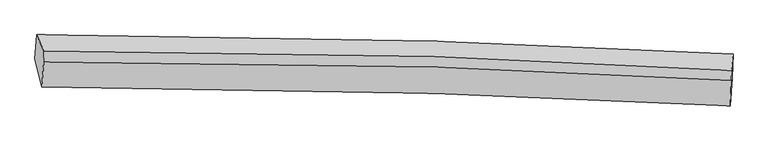
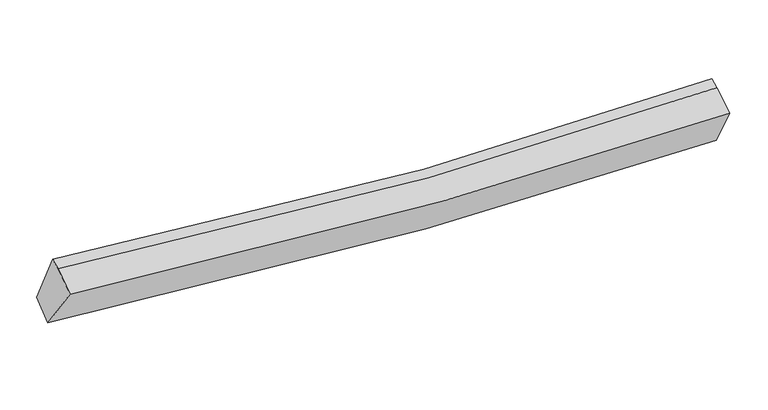
"""IFC4 building model written with IfcOpenShell, lengths in millimetres: proxy geometry."""

from ifc_helpers import new_model, si_unit, frame, origin, place, context, project, spatial, source, transform, mapped, element, save
from ifc_brep_helpers import plane_surface, spline_curve, spline_surface, advanced_brep


def generic_models_86eec836(model_context):
    return source(origin(), model_context, "Body", "AdvancedBrep", [
        advanced_brep(
        [(-4680.0136289, -1932.6632756, 2864.8116564), (-4655.6127897, -1599.2022419, 3054.814372), (5050.4512176, -1868.1822758, 2670.1461136), (5038.9542118, -2201.8665114, 2479.3180664), (-4582.2097961, -2328.2245158, 3520.2426123), (5011.8573684, -2595.2673024, 3142.7376931), (-4559.2943683, -1982.3118109, 3700.6857368), (5024.4009604, -2239.6695619, 3326.9707328), (-4553.4895228, -1830.3221321, 3750.3389472), (5029.8430032, -2097.179238, 3373.5206175)],
        [
            (0, 1),
            (1, 2, spline_curve(3, [(-4655.6127897, -1599.2022419, 3054.814372), (-2816.778623619, -1599.706583015, 2820.569449821), (-977.20892235, -1628.92760239, 2678.074802504), (2258.458421842, -1730.795003895, 2588.854871302), (3654.24338885, -1791.233996543, 2603.126765314), (5050.4512176, -1868.1822758, 2670.1461136)], [4, 2, 4], [0.0, 18.164875754706774, 31.937905771923777])),
            (2, 3),
            (3, 0, spline_curve(3, [(5038.9542118, -2201.8665114, 2479.3180664), (3641.663004314, -2128.49792666, 2423.38290605), (2244.461944255, -2070.081071019, 2415.466373158), (-995.260660163, -1969.290967014, 2508.458030505), (-2837.715546956, -1937.973410702, 2644.872427022), (-4680.0136289, -1932.6632756, 2864.8116564)], [4, 2, 4], [0.0, 13.773030017217003, 31.937905771923777])),
            (4, 0),
            (3, 5),
            (5, 4, spline_curve(3, [(5011.8573684, -2595.2673024, 3142.7376931), (3629.138285754, -2522.600117611, 3087.245940384), (2247.967859342, -2464.71611464, 3079.086376101), (-951.199644967, -2364.770788034, 3169.922713819), (-2768.051607386, -2333.640529119, 3303.917250799), (-4582.2097961, -2328.2245158, 3520.2426123)], [4, 2, 4], [0.0, 13.692734377682662, 31.75171039108612])),
            (6, 4),
            (5, 7),
            (7, 6, spline_curve(3, [(5024.4009604, -2239.6695619, 3326.9707328), (3641.813031866, -2155.98385975, 3241.24783686), (2261.360155453, -2092.433388941, 3215.65918984), (-934.783666184, -1991.758965105, 3295.766050018), (-2748.895899479, -1969.523519461, 3445.926365089), (-4559.2943683, -1982.3118109, 3700.6857368)], [4, 2, 4], [0.0, 13.600977082686356, 31.53893688824649])),
            (8, 6),
            (7, 9),
            (9, 8, spline_curve(3, [(5029.8430032, -2097.179238, 3373.5206175), (3647.215531895, -2014.528899858, 3287.45948054), (2266.762655279, -1950.978428838, 3261.870833392), (-929.289471461, -1847.903127973, 3342.762032026), (-2743.280770601, -1822.501230385, 3493.956788671), (-4553.4895228, -1830.3221321, 3750.3389472)], [4, 2, 4], [0.0, 13.598248530018946, 31.53260972146645])),
            (1, 8),
            (9, 2),
        ],
        [
            spline_surface(3, 3, [[(-4680.0136289, -1932.6632756, 2864.8116564), (-2837.715546961, -1937.973410835, 2644.872427254), (-995.260660075, -1969.290966985, 2508.45803076), (2244.461944188, -2070.081071041, 2415.466372965), (3641.663004264, -2128.497926824, 2423.382906151), (5038.9542118, -2201.8665114, 2479.3180664)], [(-4671.880015866, -1821.509597724, 2928.145894939), (-2830.736572643, -1825.217801614, 2703.4381014), (-989.243414079, -1855.836512035, 2564.99695472), (2249.127436672, -1956.985715397, 2473.262539065), (3645.856465814, -2016.07661669, 2483.29752595), (5042.786547066, -2090.638432868, 2542.927415478)], [(-4663.746402734, -1710.355919776, 2991.480133461), (-2823.757598227, -1712.46219232, 2762.003775528), (-983.226168082, -1742.382057073, 2621.535878642), (2253.792929158, -1843.890359741, 2531.058705128), (3650.049927366, -1903.655306552, 2543.212145717), (5046.618882334, -1979.410354332, 2606.536764522)], [(-4655.6127897, -1599.2022419, 3054.814372), (-2816.778623909, -1599.706583099, 2820.569449674), (-977.208922086, -1628.927602123, 2678.074802601), (2258.458421642, -1730.795004097, 2588.854871228), (3654.243388917, -1791.233996418, 2603.126765517), (5050.4512176, -1868.1822758, 2670.1461136)]], [4, 4], [4, 2, 4], [0.0, 1.2498904706162932], [0.0, 18.164875754706774, 31.937905771923777]),
            spline_surface(3, 3, [[(-4582.2097961, -2328.2245158, 3520.2426123), (-2768.051607276, -2333.640529249, 3303.917250798), (-951.199645176, -2364.770788281, 3169.922713698), (2247.967859501, -2464.716114453, 3079.086376193), (3629.138285592, -2522.600117646, 3087.245940222), (5011.8573684, -2595.2673024, 3142.7376931)], [(-4614.811073686, -2196.370769049, 3301.765627022), (-2791.27292049, -2201.75148976, 3084.235642972), (-965.886650121, -2232.944181173, 2949.434486038), (2246.799221084, -2333.171099972, 2857.879708436), (3633.313191811, -2391.2327207, 2865.958262205), (5020.889649529, -2464.133705395, 2921.59781754)], [(-4647.412351314, -2064.517022351, 3083.288641678), (-2814.494233747, -2069.862450324, 2864.55403508), (-980.57365513, -2101.117574094, 2728.94625842), (2245.630582605, -2201.626085521, 2636.673040722), (3637.488098044, -2259.865323769, 2644.670584167), (5029.921930671, -2333.000108405, 2700.45794196)], [(-4680.0136289, -1932.6632756, 2864.8116564), (-2837.715546961, -1937.973410835, 2644.872427254), (-995.260660075, -1969.290966985, 2508.45803076), (2244.461944188, -2070.081071041, 2415.466372965), (3641.663004264, -2128.497926824, 2423.382906151), (5038.9542118, -2201.8665114, 2479.3180664)]], [4, 4], [4, 2, 4], [0.0, 2.5318243082506626], [0.0, 18.05897601340346, 31.75171039108612]),
            spline_surface(3, 3, [[(-4559.2943683, -1982.3118109, 3700.6857368), (-2748.895899468, -1969.523519393, 3445.926365031), (-934.783666327, -1991.758965281, 3295.766050134), (2261.360155561, -2092.433388807, 3215.659189752), (3641.813031938, -2155.983859943, 3241.247836671), (5024.4009604, -2239.6695619, 3326.9707328)], [(-4566.932844215, -2097.616045861, 3640.538028612), (-2755.281135385, -2090.895856006, 3398.589993598), (-940.255659288, -2116.096239636, 3253.818271319), (2256.896056863, -2216.527630711, 3170.134918563), (3637.588116471, -2278.189279171, 3189.91387118), (5020.219763048, -2358.20214206, 3265.559719559)], [(-4574.571320185, -2212.920280839, 3580.390320488), (-2761.666371359, -2212.268192637, 3351.25362223), (-945.727652216, -2240.433513926, 3211.870492513), (2252.431958199, -2340.621872549, 3124.610647383), (3633.363201059, -2400.394698418, 3138.579905713), (5016.038565752, -2476.73472224, 3204.148706341)], [(-4582.2097961, -2328.2245158, 3520.2426123), (-2768.051607276, -2333.640529249, 3303.917250798), (-951.199645176, -2364.770788281, 3169.922713698), (2247.967859501, -2464.716114453, 3079.086376193), (3629.138285592, -2522.600117646, 3087.245940222), (5011.8573684, -2595.2673024, 3142.7376931)]], [4, 4], [4, 2, 4], [0.0, 1.2956514668191712], [0.0, 17.937959805560133, 31.53893688824649]),
            spline_surface(3, 3, [[(-4553.4895228, -1830.3221321, 3750.3389472), (-2743.280770351, -1822.501230627, 3493.956788512), (-929.289471444, -1847.903128131, 3342.762031782), (2266.762655266, -1950.978428718, 3261.870833577), (3647.215531743, -2014.528899854, 3287.459480396), (5029.8430032, -2097.179238, 3373.5206175)], [(-4555.424471332, -1880.985358368, 3733.787877063), (-2745.152480089, -1871.508660217, 3477.946647347), (-931.120869754, -1895.855073841, 3327.096704579), (2264.961822015, -1998.130082075, 3246.466952315), (3645.414698492, -2061.680553211, 3272.055599134), (5028.028988951, -2144.676012627, 3358.003989246)], [(-4557.359419768, -1931.648584632, 3717.236806937), (-2747.02418973, -1920.516089803, 3461.936506195), (-932.952268017, -1943.807019571, 3311.431377337), (2263.160988812, -2045.281735451, 3231.063071014), (3643.613865188, -2108.832206587, 3256.651717933), (5026.214974649, -2192.172787273, 3342.487361054)], [(-4559.2943683, -1982.3118109, 3700.6857368), (-2748.895899468, -1969.523519393, 3445.926365031), (-934.783666327, -1991.758965281, 3295.766050134), (2261.360155561, -2092.433388807, 3215.659189752), (3641.813031938, -2155.983859943, 3241.247836671), (5024.4009604, -2239.6695619, 3326.9707328)]], [4, 4], [4, 2, 4], [0.0, 0.4941090617724075], [0.0, 17.934361191447504, 31.53260972146645]),
            spline_surface(3, 3, [[(-4655.6127897, -1599.2022419, 3054.814372), (-2816.778623909, -1599.706583099, 2820.569449674), (-977.208922086, -1628.927602123, 2678.074802601), (2258.458421642, -1730.795004097, 2588.854871228), (3654.243388917, -1791.233996418, 2603.126765517), (5050.4512176, -1868.1822758, 2670.1461136)], [(-4621.571700701, -1676.242205297, 3286.655897064), (-2792.279339358, -1673.971465605, 3045.031895951), (-961.235771865, -1701.919444117, 2899.63721232), (2261.226499523, -1804.189478961, 2813.193525337), (3651.900769865, -1865.665630913, 2831.237670487), (5043.581812806, -1944.51459655, 2904.604281577)], [(-4587.530611799, -1753.282168703, 3518.497422136), (-2767.780054903, -1748.23634812, 3269.494342235), (-945.262621664, -1774.911286137, 3121.199622063), (2263.994577385, -1877.583953853, 3037.532179469), (3649.558150795, -1940.097265358, 3059.348575426), (5036.712407994, -2020.84691725, 3139.062449523)], [(-4553.4895228, -1830.3221321, 3750.3389472), (-2743.280770351, -1822.501230627, 3493.956788512), (-929.289471444, -1847.903128131, 3342.762031782), (2266.762655266, -1950.978428718, 3261.870833577), (3647.215531743, -2014.528899854, 3287.459480396), (5029.8430032, -2097.179238, 3373.5206175)]], [4, 4], [4, 2, 4], [0.0, 2.3105661241379485], [0.0, 18.0450414975916, 31.727210402262294]),
            plane_surface(frame((5031.1013523, -2200.4329779, 2998.5386447), z_axis=(0.9989535412390248, -0.0431270641677529, 0.015227566525296362), x_axis=(-0.031305326946089666, -0.8874733392443995, -0.4597945722115404))),
            plane_surface(frame((-4606.1240212, -1934.5447953, 3378.178665), z_axis=(-0.9897669030638603, -0.00872749405356571, 0.1424265019121093), x_axis=(-0.06344996712800527, -0.8671050832650856, -0.49406768387266936))),
        ],
        [
            (0, [[1, 2, 3, 4]]),
            (1, [[5, -4, 6, 7]]),
            (2, [[8, -7, 9, 10]]),
            (3, [[11, -10, 12, 13]]),
            (4, [[14, -13, 15, -2]]),
            (5, [[-9, -6, -3, -15, -12]]),
            (6, [[-1, -5, -8, -11, -14]]),
        ],
    ),
    ])


if __name__ == "__main__":
    model = new_model("IFC4")
    model_context = context("Model", 3, world=origin())
    ifc_project = project(units=[si_unit("LENGTHUNIT", "METRE", prefix="MILLI")], contexts=[model_context])
    site = spatial("IfcSite", under=ifc_project)
    building = spatial("IfcBuilding", under=site)
    placement = place(None, origin())
    generic_models_shape = generic_models_86eec836(model_context)
    element("IfcBuildingElementProxy", 1, Name="Generic Models", at=placement, inside=building, context=model_context, shape_type="MappedRepresentation", body=[
        mapped(generic_models_shape, transform((0.0, 0.0, 0.0), x_axis=(1.0, 0.0, 0.0), y_axis=(0.0, 1.0, 0.0), z_axis=(0.0, 0.0, 1.0))),
    ])
    save(model, "model.ifc")
